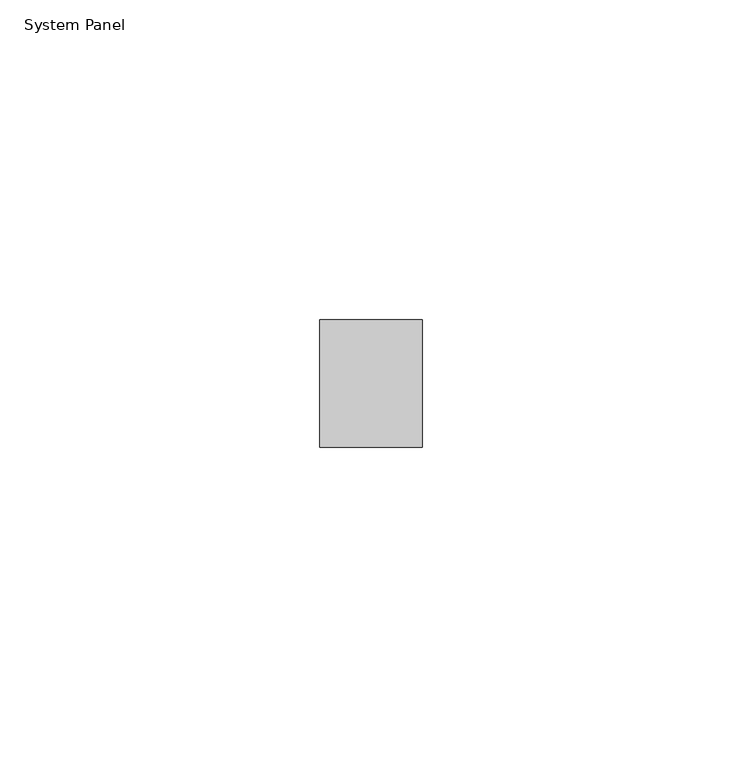
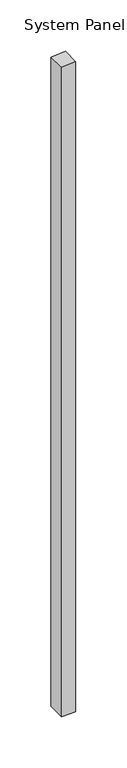
"""IFC4 building model written with IfcOpenShell, lengths in millimetres: plate geometry, System Panel."""

from ifc_helpers import new_model, si_unit, frame, origin, place, context, project, spatial, polyline, outline, extrude, source, transform, mapped, element, save


def system_panel_f10882f0(model_context):
    return source(origin(), model_context, "Body", "SweptSolid", [
        extrude(outline(polyline([(0.0, -8.0335683), (0.0, 8.0335683), (772.3361392, 8.0335683), (771.1535203, -8.0335683), (0.0, -8.0335683)])), frame((0.0, -10.0, 0.0), z_axis=(0.0, 1.0, 0.0), x_axis=(0.0, 0.0, 1.0)), (0.0, 0.0, 1.0), 20.0),
    ])


if __name__ == "__main__":
    model = new_model("IFC4")
    model_context = context("Model", 3, world=origin())
    ifc_project = project(units=[si_unit("LENGTHUNIT", "METRE", prefix="MILLI")], contexts=[model_context])
    site = spatial("IfcSite", under=ifc_project)
    building = spatial("IfcBuilding", under=site)
    placement = place(None, origin())
    system_panel_shape = system_panel_f10882f0(model_context)
    element("IfcPlate", 1, ObjectType="System Panel", at=placement, inside=building, context=model_context, shape_type="MappedRepresentation", body=[
        mapped(system_panel_shape, transform((0.0, 0.0, 0.0), x_axis=(1.0, 0.0, 0.0), y_axis=(0.0, 1.0, 0.0), z_axis=(0.0, 0.0, 1.0))),
    ])
    save(model, "model.ifc")
